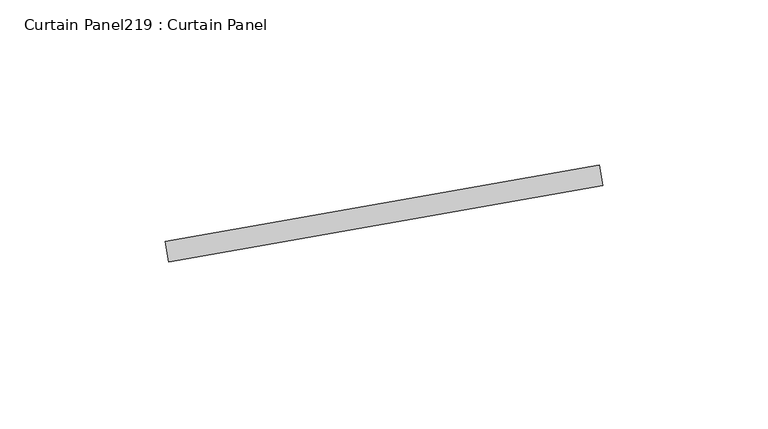
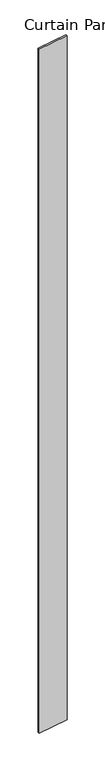
"""IFC4 building model written with IfcOpenShell, lengths in millimetres: plate geometry, Curtain Panel219 : Curtain Panel."""

from ifc_helpers import new_model, si_unit, frame, origin, place, context, project, spatial, polyline, outline, extrude, source, transform, mapped, element, save


def curtain_panel219_curtain_panel_eca3c541(model_context):
    return source(origin(), model_context, "Body", "SweptSolid", [
        extrude(outline(polyline([(628120.8187942, 2398.8175721), (627989.5502728, 2375.67139), (627988.4476069, 2381.9249193), (628119.7161283, 2405.0711013), (628120.8187942, 2398.8175721)])), frame((0.0, 0.0, 4959.7989371), z_axis=(0.0, 0.0, 1.0), x_axis=(1.0, 0.0, 0.0)), (0.0, 0.0, 1.0), 3048.0),
    ])


if __name__ == "__main__":
    model = new_model("IFC4")
    model_context = context("Model", 3, world=origin())
    ifc_project = project(units=[si_unit("LENGTHUNIT", "METRE", prefix="MILLI")], contexts=[model_context])
    site = spatial("IfcSite", under=ifc_project)
    building = spatial("IfcBuilding", under=site)
    placement = place(None, origin())
    curtain_panel219_curtain_panel_shape = curtain_panel219_curtain_panel_eca3c541(model_context)
    element("IfcPlate", 1, ObjectType="Curtain Panel219 : Curtain Panel", at=placement, inside=building, context=model_context, shape_type="MappedRepresentation", body=[
        mapped(curtain_panel219_curtain_panel_shape, transform((0.0, 0.0, 0.0), x_axis=(1.0, 0.0, 0.0), y_axis=(0.0, 1.0, 0.0), z_axis=(0.0, 0.0, 1.0))),
    ])
    save(model, "model.ifc")
